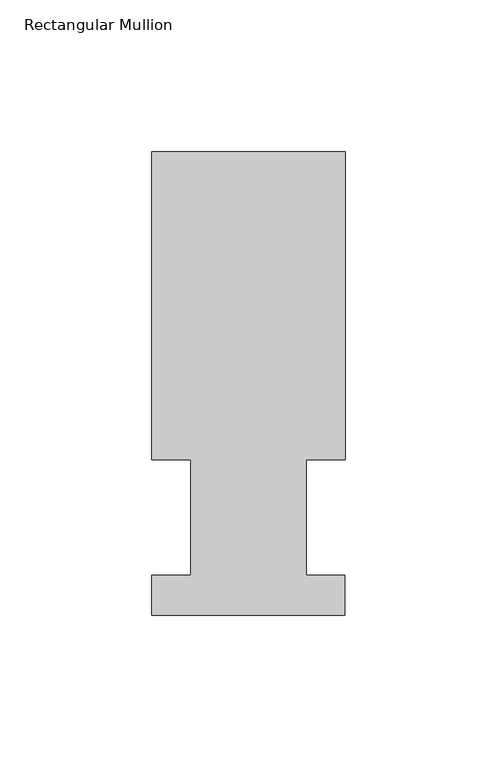
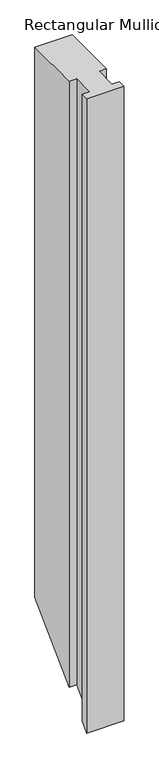
"""IFC4 building model written with IfcOpenShell, lengths in millimetres: member geometry, Rectangular Mullion."""

from ifc_helpers import new_model, si_unit, origin, place, context, project, spatial, faceted_brep, source, transform, mapped, element, save


def rectangular_mullion_93162685(model_context):
    return source(origin(), model_context, "Body", "Brep", [
        faceted_brep([(-63.5, 152.4896937, 0.0), (-63.5, 51.2960937, 0.0), (-50.8000001, 51.2960937, 0.0), (-50.8000001, 13.1960937, 0.0), (-63.5, 13.1960937, 0.0), (-63.5, 0.0134937, 0.0), (0.0, 0.0134937, 0.0), (0.0, 13.1960937, 0.0), (-12.6873, 13.1960937, 0.0), (-12.6873, 51.2960938, 0.0), (0.0127, 51.2960937, 0.0), (0.0127, 152.4896937, 0.0), (-63.5, 152.4896937, -990.5238001), (-63.5, 51.2960937, -1091.7174001), (-50.8000001, 51.2960937, -1091.7174001), (-50.8000001, 13.1960937, -1129.8174001), (-63.5, 13.1960937, -1129.8174001), (-63.5, 0.0134937, -1143.0000001), (0.0, 0.0134937, -1143.0000001), (0.0, 13.1960937, -1129.8174001), (-12.6873, 13.1960937, -1129.8174001), (-12.6873, 51.2960938, -1091.7174), (0.0127, 51.2960937, -1091.7174), (0.0127, 152.4896937, -990.5238001)], [[[0, 1, 2, 3, 4, 5, 6, 7, 8, 9, 10, 11]], [[1, 0, 12, 13]], [[2, 1, 13, 14]], [[3, 2, 14, 15]], [[4, 3, 15, 16]], [[5, 4, 16, 17]], [[6, 5, 17, 18]], [[7, 6, 18, 19]], [[8, 7, 19, 20]], [[9, 8, 20, 21]], [[10, 9, 21, 22]], [[11, 10, 22, 23]], [[0, 11, 23, 12]], [[12, 23, 22, 21, 20, 19, 18, 17, 16, 15, 14, 13]]]),
    ])


if __name__ == "__main__":
    model = new_model("IFC4")
    model_context = context("Model", 3, world=origin())
    ifc_project = project(units=[si_unit("LENGTHUNIT", "METRE", prefix="MILLI")], contexts=[model_context])
    site = spatial("IfcSite", under=ifc_project)
    building = spatial("IfcBuilding", under=site)
    placement = place(None, origin())
    rectangular_mullion_shape = rectangular_mullion_93162685(model_context)
    element("IfcMember", 1, ObjectType="Rectangular Mullion", at=placement, inside=building, context=model_context, shape_type="MappedRepresentation", body=[
        mapped(rectangular_mullion_shape, transform((0.0, 0.0, 0.0), x_axis=(1.0, 0.0, 0.0), y_axis=(0.0, 1.0, 0.0), z_axis=(0.0, 0.0, 1.0))),
    ])
    save(model, "model.ifc")
